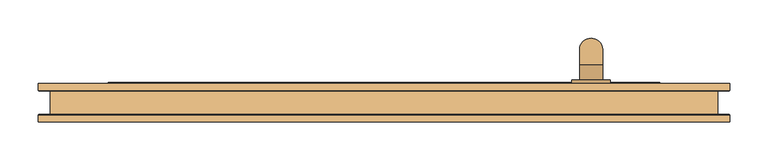
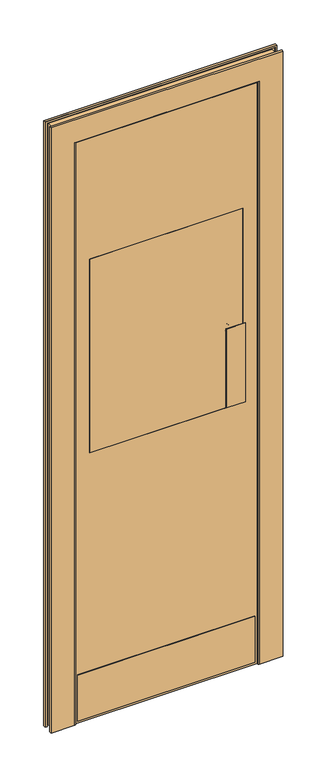
"""IFC4 building model written with IfcOpenShell, lengths in millimetres: door geometry."""

from ifc_helpers import new_model, si_unit, point, frame, frame_2d, origin, place, context, project, spatial, polyline, circle_curve, ellipse_curve, trimmed, segment, composite_curve, outline, extrude, faceted_brep, source, transform, mapped, element, save
from ifc_brep_helpers import plane_surface, cylinder_surface, revolved_surface, advanced_brep


def door_0fceb444(model_context):
    return source(origin(), model_context, "Body", "SolidModel", [
        advanced_brep(
        [(256.5, 30.0, 1125.0), (286.5, 30.0, 1125.0), (286.5, 50.0, 1125.0), (256.5, 50.0, 1125.0), (286.5, 70.0, 1145.0), (256.5, 70.0, 1145.0), (286.5, 70.0, 1355.0), (256.5, 70.0, 1355.0), (286.5, 50.0, 1375.0), (256.5, 50.0, 1375.0), (256.5, 30.0, 1375.0), (286.5, 30.0, 1375.0)],
        [
            (0, 1, circle_curve(frame((271.5, 30.0, 1125.0), z_axis=(0.0, -1.0, 0.0), x_axis=(1.0, 0.0, 0.0)), 15.0)),
            (1, 0, circle_curve(frame((271.5, 30.0, 1125.0), z_axis=(0.0, -1.0, 0.0), x_axis=(1.0, 0.0, 0.0)), 15.0)),
            (1, 2),
            (2, 3, circle_curve(frame((271.5, 50.0, 1125.0), z_axis=(0.0, -1.0, 0.0), x_axis=(1.0, 0.0, 0.0)), 15.0)),
            (3, 0),
            (3, 2, circle_curve(frame((271.5, 50.0, 1125.0), z_axis=(0.0, -1.0, 0.0), x_axis=(1.0, 0.0, 0.0)), 15.0)),
            (4, 5, circle_curve(frame((271.5, 70.0, 1145.0), z_axis=(0.0, 0.0, -1.0), x_axis=(1.0, 0.0, 0.0)), 15.0)),
            (5, 3, circle_curve(frame((256.5, 50.0, 1145.0), z_axis=(-1.0, 0.0, 0.0), x_axis=(0.0, 0.0, -1.0)), 20.0)),
            (2, 4, circle_curve(frame((286.5, 50.0, 1145.0), z_axis=(1.0, 0.0, 0.0), x_axis=(0.0, 0.0, -1.0)), 20.0)),
            (5, 4, circle_curve(frame((271.5, 70.0, 1145.0), z_axis=(0.0, 0.0, -1.0), x_axis=(1.0, 0.0, 0.0)), 15.0)),
            (4, 6),
            (6, 7, circle_curve(frame((271.5, 70.0, 1355.0), z_axis=(0.0, 0.0, -1.0), x_axis=(1.0, 0.0, 0.0)), 15.0)),
            (7, 5),
            (7, 6, circle_curve(frame((271.5, 70.0, 1355.0), z_axis=(0.0, 0.0, -1.0), x_axis=(1.0, 0.0, 0.0)), 15.0)),
            (8, 9, circle_curve(frame((271.5, 50.0, 1375.0), z_axis=(0.0, 1.0, 0.0), x_axis=(1.0, 0.0, 0.0)), 15.0)),
            (9, 7, circle_curve(frame((256.5, 50.0, 1355.0), z_axis=(-1.0, 0.0, 0.0), x_axis=(0.0, 1.0, 0.0)), 20.0)),
            (6, 8, circle_curve(frame((286.5, 50.0, 1355.0), z_axis=(1.0, 0.0, 0.0), x_axis=(0.0, 1.0, 0.0)), 20.0)),
            (9, 8, circle_curve(frame((271.5, 50.0, 1375.0), z_axis=(0.0, 1.0, 0.0), x_axis=(1.0, 0.0, 0.0)), 15.0)),
            (10, 11, circle_curve(frame((271.5, 30.0, 1375.0), z_axis=(0.0, -1.0, 0.0), x_axis=(1.0, 0.0, 0.0)), 15.0)),
            (11, 10, circle_curve(frame((271.5, 30.0, 1375.0), z_axis=(0.0, -1.0, 0.0), x_axis=(1.0, 0.0, 0.0)), 15.0)),
            (8, 11),
            (10, 9),
        ],
        [
            plane_surface(frame((271.5, 30.0, 1125.0), z_axis=(0.0, -1.0, 0.0), x_axis=(1.0, 0.0, 0.0))),
            cylinder_surface(frame((271.5, 30.0, 1125.0), z_axis=(0.0, -1.0, 0.0), x_axis=(1.0, 0.0, 0.0)), 15.0),
            revolved_surface(trimmed(ellipse_curve(frame((271.5, 50.0, 1125.0), z_axis=(0.0, 1.0, 0.0), x_axis=(1.0, 0.0, 0.0)), 15.0, 15.0), [point((256.5, 50.0, 1125.0))], [point((286.5, 50.0, 1125.0))], True, "CARTESIAN"), (271.5, 50.0, 1145.0), (-1.0, 0.0, 0.0)),
            revolved_surface(trimmed(ellipse_curve(frame((271.5, 50.0, 1125.0), z_axis=(0.0, 1.0, 0.0), x_axis=(1.0, 0.0, 0.0)), 15.0, 15.0), [point((286.5, 50.0, 1125.0))], [point((256.5, 50.0, 1125.0))], True, "CARTESIAN"), (271.5, 50.0, 1145.0), (-1.0, 0.0, 0.0)),
            cylinder_surface(frame((271.5, 70.0, 1145.0), z_axis=(0.0, 0.0, -1.0), x_axis=(1.0, 0.0, 0.0)), 15.0),
            revolved_surface(trimmed(ellipse_curve(frame((271.5, 70.0, 1355.0), z_axis=(0.0, 0.0, 1.0), x_axis=(1.0, 0.0, 0.0)), 15.0, 15.0), [point((256.5, 70.0, 1355.0))], [point((286.5, 70.0, 1355.0))], True, "CARTESIAN"), (271.5, 50.0, 1355.0), (-1.0, 0.0, 0.0)),
            revolved_surface(trimmed(ellipse_curve(frame((271.5, 70.0, 1355.0), z_axis=(0.0, 0.0, 1.0), x_axis=(1.0, 0.0, 0.0)), 15.0, 15.0), [point((286.5, 70.0, 1355.0))], [point((256.5, 70.0, 1355.0))], True, "CARTESIAN"), (271.5, 50.0, 1355.0), (-1.0, 0.0, 0.0)),
            plane_surface(frame((271.5, 30.0, 1375.0), z_axis=(0.0, -1.0, 0.0), x_axis=(1.0, 0.0, 0.0))),
            cylinder_surface(frame((271.5, 50.0, 1375.0), z_axis=(0.0, 1.0, 0.0), x_axis=(1.0, 0.0, 0.0)), 15.0),
        ],
        [
            (0, [[1, 2]]),
            (1, [[3, 4, 5, -2]]),
            (1, [[-5, 6, -3, -1]]),
            (2, [[7, 8, -4, 9]]),
            (3, [[10, -9, -6, -8]]),
            (4, [[11, 12, 13, -7]]),
            (4, [[-13, 14, -11, -10]]),
            (5, [[15, 16, -12, 17]]),
            (6, [[18, -17, -14, -16]]),
            (7, [[19, 20]]),
            (8, [[21, -19, 22, -15]]),
            (8, [[-22, -20, -21, -18]]),
        ],
    ),
        extrude(outline(composite_curve([segment(trimmed(circle_curve(frame_2d((1125.0, 271.5)), 25.0), [point((1125.0, 246.5))], [point((1125.0, 296.5))], False, "CARTESIAN"), True, "CONTINUOUS"), segment(trimmed(circle_curve(frame_2d((1125.0, 271.5)), 25.0), [point((1125.0, 296.5))], [point((1125.0, 246.5))], False, "CARTESIAN"), True, "CONTINUOUS")], self_intersect=False)), frame((0.0, 25.0, 0.0), z_axis=(0.0, 1.0, 0.0), x_axis=(0.0, 0.0, 1.0)), (0.0, 0.0, 1.0), 5.0),
        extrude(outline(composite_curve([segment(trimmed(circle_curve(frame_2d((1375.0, 271.5)), 25.0), [point((1375.0, 246.5))], [point((1375.0, 296.5))], False, "CARTESIAN"), True, "CONTINUOUS"), segment(trimmed(circle_curve(frame_2d((1375.0, 271.5)), 25.0), [point((1375.0, 296.5))], [point((1375.0, 246.5))], False, "CARTESIAN"), True, "CONTINUOUS")], self_intersect=False)), frame((0.0, 25.0, 0.0), z_axis=(0.0, 1.0, 0.0), x_axis=(0.0, 0.0, 1.0)), (0.0, 0.0, 1.0), 5.0),
        faceted_brep([(-360.5, -25.0, 0.0), (-453.5, -25.0, 0.0), (-453.5, -16.15, 0.0), (-452.5, -15.15, 0.0), (-446.5, -15.15, 0.0), (-446.5, -17.15, 0.0), (-451.5, -17.15, 0.0), (-451.5, -23.0, 0.0), (-437.5, -23.0, 0.0), (-437.5, 23.0, 0.0), (-451.5, 23.0, 0.0), (-451.5, 17.15, 0.0), (-446.5, 17.15, 0.0), (-446.5, 15.15, 0.0), (-452.5, 15.15, 0.0), (-453.5, 16.15, 0.0), (-453.5, 25.0, 0.0), (-371.5, 25.0, 0.0), (-371.5, -23.0, 0.0), (-361.0735925, -23.0, 0.0), (-358.5, -21.3915047, 0.0), (-358.5, -20.5, 0.0), (-360.5, -20.5, 0.0), (-360.5, -19.0, 0.0), (-356.5, -19.0, 0.0), (-356.5, -22.5, 0.0), (-356.5, -22.5, 2402.5), (-360.5, -25.0, 2406.5), (-356.5, -19.0, 2402.5), (-360.5, -19.0, 2406.5), (360.5, -19.0, 2406.5), (360.5, -19.0, 0.0), (356.5, -19.0, 0.0), (356.5, -19.0, 2402.5), (-360.5, -20.5, 2406.5), (-358.5, -20.5, 2404.5), (358.5, -20.5, 2404.5), (358.5, -20.5, 0.0), (360.5, -20.5, 0.0), (360.5, -20.5, 2406.5), (-358.5, -21.3915047, 2404.5), (-361.0735925, -23.0, 2407.0735925), (-371.5, -23.0, 2417.5), (371.5, -23.0, 2417.5), (371.5, -23.0, 0.0), (361.0735925, -23.0, 0.0), (361.0735925, -23.0, 2407.0735925), (-371.5, 25.0, 2417.5), (-453.5, 25.0, 2499.5), (453.5, 25.0, 2499.5), (453.5, 25.0, 0.0), (371.5, 25.0, 0.0), (371.5, 25.0, 2417.5), (-453.5, 16.15, 2499.5), (-452.5, 15.15, 2498.5), (-446.5, 15.15, 2492.5), (446.5, 15.15, 2492.5), (446.5, 15.15, 0.0), (452.5, 15.15, 0.0), (452.5, 15.15, 2498.5), (-446.5, 17.15, 2492.5), (-451.5, 17.15, 2497.5), (451.5, 17.15, 2497.5), (451.5, 17.15, 0.0), (446.5, 17.15, 0.0), (446.5, 17.15, 2492.5), (-451.5, 23.0, 2497.5), (-437.5, 23.0, 2483.5), (437.5, 23.0, 2483.5), (437.5, 23.0, 0.0), (451.5, 23.0, 0.0), (451.5, 23.0, 2497.5), (-437.5, -23.0, 2483.5), (-451.5, -23.0, 2497.5), (451.5, -23.0, 2497.5), (451.5, -23.0, 0.0), (437.5, -23.0, 0.0), (437.5, -23.0, 2483.5), (-451.5, -17.15, 2497.5), (-446.5, -17.15, 2492.5), (446.5, -17.15, 2492.5), (446.5, -17.15, 0.0), (451.5, -17.15, 0.0), (451.5, -17.15, 2497.5), (-446.5, -15.15, 2492.5), (-452.5, -15.15, 2498.5), (452.5, -15.15, 2498.5), (452.5, -15.15, 0.0), (446.5, -15.15, 0.0), (446.5, -15.15, 2492.5), (-453.5, -16.15, 2499.5), (-453.5, -25.0, 2499.5), (360.5, -25.0, 2406.5), (360.5, -25.0, 0.0), (453.5, -25.0, 0.0), (453.5, -25.0, 2499.5), (356.5, -22.5, 0.0), (356.5, -22.5, 2402.5), (358.5, -21.3915047, 0.0), (453.5, 16.15, 0.0), (453.5, -16.15, 0.0), (358.5, -21.3915047, 2404.5), (453.5, 16.15, 2499.5), (453.5, -16.15, 2499.5)], [[[0, 1, 2, 3, 4, 5, 6, 7, 8, 9, 10, 11, 12, 13, 14, 15, 16, 17, 18, 19, 20, 21, 22, 23, 24, 25]], [[25, 26, 27, 0]], [[24, 28, 26, 25]], [[23, 29, 30, 31, 32, 33, 28, 24]], [[22, 34, 29, 23]], [[21, 35, 36, 37, 38, 39, 34, 22]], [[20, 40, 35, 21]], [[19, 41, 40, 20]], [[18, 42, 43, 44, 45, 46, 41, 19]], [[17, 47, 42, 18]], [[16, 48, 49, 50, 51, 52, 47, 17]], [[15, 53, 48, 16]], [[14, 54, 53, 15]], [[13, 55, 56, 57, 58, 59, 54, 14]], [[12, 60, 55, 13]], [[11, 61, 62, 63, 64, 65, 60, 12]], [[10, 66, 61, 11]], [[9, 67, 68, 69, 70, 71, 66, 10]], [[8, 72, 67, 9]], [[7, 73, 74, 75, 76, 77, 72, 8]], [[6, 78, 73, 7]], [[5, 79, 80, 81, 82, 83, 78, 6]], [[4, 84, 79, 5]], [[3, 85, 86, 87, 88, 89, 84, 4]], [[2, 90, 85, 3]], [[1, 91, 90, 2]], [[0, 27, 92, 93, 94, 95, 91, 1]], [[33, 32, 96, 97]], [[93, 96, 32, 31, 38, 37, 98, 45, 44, 51, 50, 99, 58, 57, 64, 63, 70, 69, 76, 75, 82, 81, 88, 87, 100, 94]], [[39, 38, 31, 30]], [[101, 98, 37, 36]], [[46, 45, 98, 101]], [[52, 51, 44, 43]], [[102, 99, 50, 49]], [[59, 58, 99, 102]], [[65, 64, 57, 56]], [[71, 70, 63, 62]], [[77, 76, 69, 68]], [[83, 82, 75, 74]], [[89, 88, 81, 80]], [[103, 100, 87, 86]], [[95, 94, 100, 103]], [[97, 96, 93, 92]], [[26, 97, 92, 27]], [[28, 33, 97, 26]], [[34, 39, 30, 29]], [[40, 101, 36, 35]], [[41, 46, 101, 40]], [[47, 52, 43, 42]], [[53, 102, 49, 48]], [[54, 59, 102, 53]], [[60, 65, 56, 55]], [[66, 71, 62, 61]], [[72, 77, 68, 67]], [[78, 83, 74, 73]], [[84, 89, 80, 79]], [[90, 103, 86, 85]], [[91, 95, 103, 90]]]),
        extrude(outline(polyline([(309.0, -19.0), (309.0, -21.0), (234.0, -21.0), (234.0, -19.0), (309.0, -19.0)])), frame((0.0, 0.0, 1100.0), z_axis=(0.0, 0.0, 1.0), x_axis=(1.0, 0.0, 0.0)), (0.0, 0.0, 1.0), 325.0),
        extrude(outline(polyline([(346.5, -19.0), (346.5, -21.0), (-346.5, -21.0), (-346.5, -19.0), (346.5, -19.0)])), frame((0.0, 0.0, 10.0), z_axis=(0.0, 0.0, 1.0), x_axis=(1.0, 0.0, 0.0)), (0.0, 0.0, 1.0), 190.0),
        extrude(outline(polyline([(361.5, 27.0), (361.5, 25.0), (-361.5, 25.0), (-361.5, 27.0), (361.5, 27.0)])), frame((0.0, 0.0, 10.0), z_axis=(0.0, 0.0, 1.0), x_axis=(1.0, 0.0, 0.0)), (0.0, 0.0, 1.0), 190.0),
        extrude(outline(polyline([(300.0, 25.0), (300.0, 19.0), (-300.0, 19.0), (-300.0, 25.0), (300.0, 25.0)])), frame((0.0, 0.0, 1100.0), z_axis=(0.0, 0.0, 1.0), x_axis=(1.0, 0.0, 0.0)), (0.0, 0.0, 1.0), 800.0),
        extrude(outline(polyline([(300.0, -13.0), (300.0, -19.0), (-300.0, -19.0), (-300.0, -13.0), (300.0, -13.0)])), frame((0.0, 0.0, 1100.0), z_axis=(0.0, 0.0, 1.0), x_axis=(1.0, 0.0, 0.0)), (0.0, 0.0, 1.0), 800.0),
        extrude(outline(polyline([(0.0, 371.5), (2417.5, 371.5), (2417.5, -371.5), (0.0, -371.5), (0.0, 371.5)]), holes=[polyline([(1900.0, 300.0), (1100.0, 300.0), (1100.0, -300.0), (1900.0, -300.0), (1900.0, 300.0)])]), frame((0.0, -19.0, 0.0), z_axis=(0.0, 1.0, 0.0), x_axis=(0.0, 0.0, 1.0)), (0.0, 0.0, 1.0), 44.0),
    ])


if __name__ == "__main__":
    model = new_model("IFC4")
    model_context = context("Model", 3, world=origin())
    ifc_project = project(units=[si_unit("LENGTHUNIT", "METRE", prefix="MILLI")], contexts=[model_context])
    site = spatial("IfcSite", under=ifc_project)
    building = spatial("IfcBuilding", under=site)
    placement = place(None, origin())
    door_shape = door_0fceb444(model_context)
    element("IfcDoor", 1, at=placement, inside=building, context=model_context, shape_type="MappedRepresentation", body=[
        mapped(door_shape, transform((0.0, 0.0, 0.0), x_axis=(1.0, 0.0, 0.0), y_axis=(0.0, 1.0, 0.0), z_axis=(0.0, 0.0, 1.0))),
    ])
    save(model, "model.ifc")
